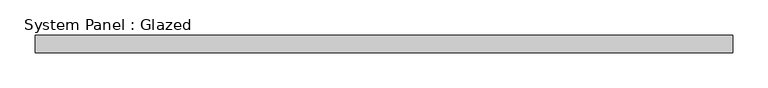
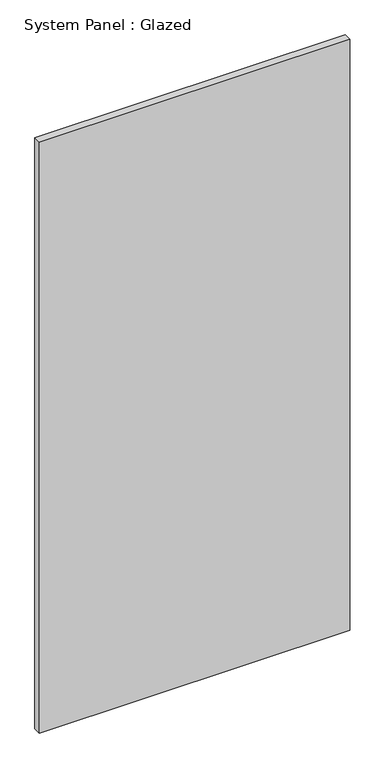
"""IFC4 building model written with IfcOpenShell, lengths in millimetres: plate geometry, System Panel : Glazed."""

from ifc_helpers import new_model, si_unit, origin, origin_with_axes, place, context, project, spatial, polyline, outline, extrude, source, transform, mapped, element, save


def system_panel_glazed_97dbdf5d(model_context):
    return source(origin(), model_context, "Body", "SweptSolid", [
        extrude(outline(polyline([(497.066319, 24.5), (-497.066319, 24.5), (-497.066319, 49.5), (497.066319, 49.5), (497.066319, 24.5)])), origin_with_axes(), (0.0, 0.0, 1.0), 2000.0),
    ])


if __name__ == "__main__":
    model = new_model("IFC4")
    model_context = context("Model", 3, world=origin())
    ifc_project = project(units=[si_unit("LENGTHUNIT", "METRE", prefix="MILLI")], contexts=[model_context])
    site = spatial("IfcSite", under=ifc_project)
    building = spatial("IfcBuilding", under=site)
    placement = place(None, origin())
    system_panel_glazed_shape = system_panel_glazed_97dbdf5d(model_context)
    element("IfcPlate", 1, ObjectType="System Panel : Glazed", at=placement, inside=building, context=model_context, shape_type="MappedRepresentation", body=[
        mapped(system_panel_glazed_shape, transform((0.0, 0.0, 0.0), x_axis=(1.0, 0.0, 0.0), y_axis=(0.0, 1.0, 0.0), z_axis=(0.0, 0.0, 1.0))),
    ])
    save(model, "model.ifc")
